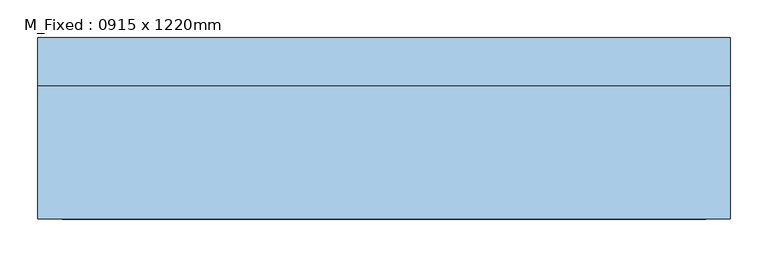
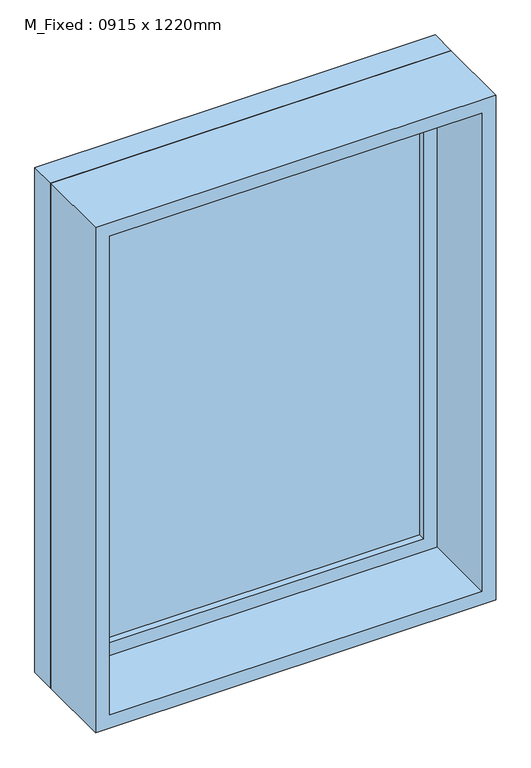
"""IFC4 building model written with IfcOpenShell, lengths in millimetres: window geometry, M_Fixed : 0915 x 1220mm."""

from ifc_helpers import new_model, si_unit, frame, origin, place, context, project, spatial, polyline, outline, extrude, source, transform, mapped, element, save


def m_fixed_0915_x_1220mm_0adb2b65(model_context):
    return source(origin(), model_context, "Body", "SweptSolid", [
        extrude(outline(polyline([(-394.5, 98.0), (394.5, 98.0), (394.5, 86.0), (-394.5, 86.0), (-394.5, 98.0)])), frame((0.0, 0.0, 978.0), z_axis=(0.0, 0.0, 1.0), x_axis=(1.0, 0.0, 0.0)), (0.0, 0.0, 1.0), 1094.0),
        extrude(outline(polyline([(2116.0, -438.5), (934.0, -438.5), (934.0, 438.5), (2116.0, 438.5), (2116.0, -438.5)]), holes=[polyline([(2072.0, -394.5), (2072.0, 394.5), (978.0, 394.5), (978.0, -394.5), (2072.0, -394.5)])]), frame((0.0, 70.0, 0.0), z_axis=(0.0, 1.0, 0.0), x_axis=(0.0, 0.0, 1.0)), (0.0, 0.0, 1.0), 44.0),
        extrude(outline(polyline([(2135.0, -457.5), (915.0, -457.5), (915.0, 457.5), (2135.0, 457.5), (2135.0, -457.5)]), holes=[polyline([(2116.0, -438.5), (2116.0, 438.5), (934.0, 438.5), (934.0, -438.5), (2116.0, -438.5)])]), frame((0.0, 70.0, 0.0), z_axis=(0.0, 1.0, 0.0), x_axis=(0.0, 0.0, 1.0)), (0.0, 0.0, 1.0), 63.0),
        extrude(outline(polyline([(2135.0, -457.5), (915.0, -457.5), (915.0, 457.5), (2135.0, 457.5), (2135.0, -457.5)]), holes=[polyline([(2103.0, -425.5), (2103.0, 425.5), (947.0, 425.5), (947.0, -425.5), (2103.0, -425.5)])]), frame((0.0, -107.0, 0.0), z_axis=(0.0, 1.0, 0.0), x_axis=(0.0, 0.0, 1.0)), (0.0, 0.0, 1.0), 177.0),
    ])


if __name__ == "__main__":
    model = new_model("IFC4")
    model_context = context("Model", 3, world=origin())
    ifc_project = project(units=[si_unit("LENGTHUNIT", "METRE", prefix="MILLI")], contexts=[model_context])
    site = spatial("IfcSite", under=ifc_project)
    building = spatial("IfcBuilding", under=site)
    placement = place(None, origin())
    m_fixed_0915_x_1220mm_shape = m_fixed_0915_x_1220mm_0adb2b65(model_context)
    element("IfcWindow", 1, ObjectType="M_Fixed : 0915 x 1220mm", at=placement, inside=building, context=model_context, shape_type="MappedRepresentation", body=[
        mapped(m_fixed_0915_x_1220mm_shape, transform((0.0, 0.0, 0.0), x_axis=(1.0, 0.0, 0.0), y_axis=(0.0, 1.0, 0.0), z_axis=(0.0, 0.0, 1.0))),
    ])
    save(model, "model.ifc")
